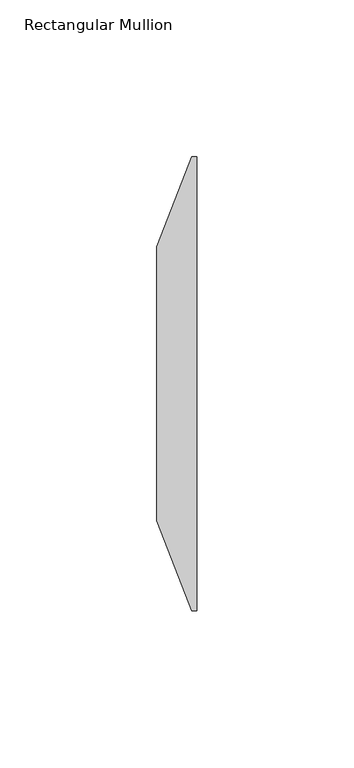
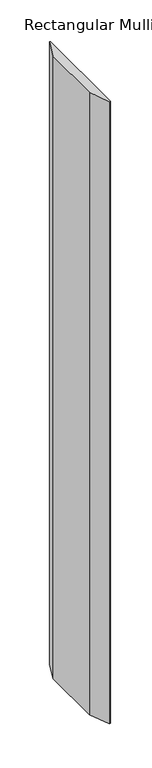
"""IFC4 building model written with IfcOpenShell, lengths in millimetres: member geometry, Rectangular Mullion."""

from ifc_helpers import new_model, si_unit, frame, origin, place, context, project, spatial, polyline, outline, extrude, source, transform, mapped, element, save


def rectangular_mullion_2b349c78(model_context):
    return source(origin(), model_context, "Body", "SweptSolid", [
        extrude(outline(polyline([(0.0, -58.7375), (-1.5875, -58.7375), (-12.7, -30.1625), (-12.7, 57.15), (-1.5875, 85.725), (0.0, 85.725), (0.0, -58.7375)])), frame((0.0, 0.0, -914.4), z_axis=(0.0, 0.0, 1.0), x_axis=(1.0, 0.0, 0.0)), (0.0, 0.0, 1.0), 914.4),
    ])


if __name__ == "__main__":
    model = new_model("IFC4")
    model_context = context("Model", 3, world=origin())
    ifc_project = project(units=[si_unit("LENGTHUNIT", "METRE", prefix="MILLI")], contexts=[model_context])
    site = spatial("IfcSite", under=ifc_project)
    building = spatial("IfcBuilding", under=site)
    placement = place(None, origin())
    rectangular_mullion_shape = rectangular_mullion_2b349c78(model_context)
    element("IfcMember", 1, ObjectType="Rectangular Mullion", at=placement, inside=building, context=model_context, shape_type="MappedRepresentation", body=[
        mapped(rectangular_mullion_shape, transform((0.0, 0.0, 0.0), x_axis=(1.0, 0.0, 0.0), y_axis=(0.0, 1.0, 0.0), z_axis=(0.0, 0.0, 1.0))),
    ])
    save(model, "model.ifc")
